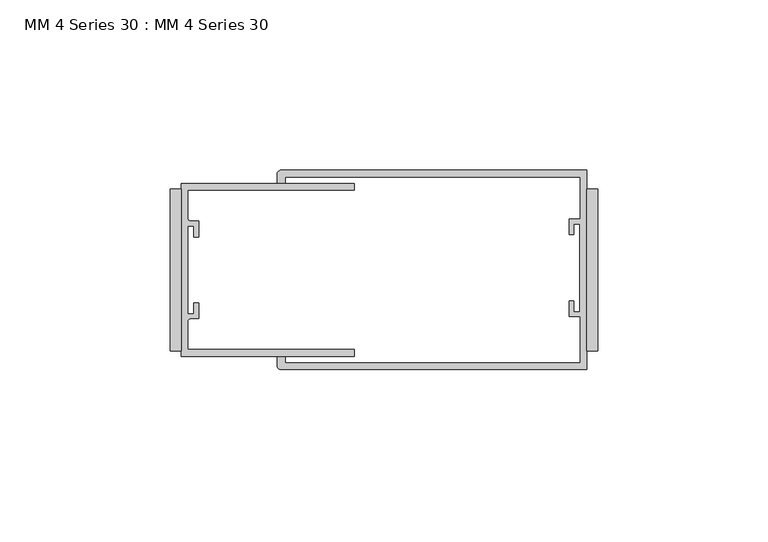
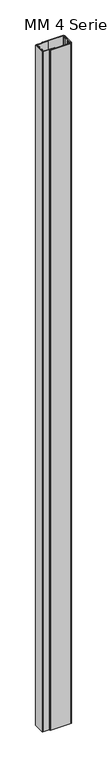
"""IFC4 building model written with IfcOpenShell, lengths in millimetres: proxy geometry, MM 4 Series 30 : MM 4 Series 30."""

from ifc_helpers import new_model, si_unit, point, frame_2d, origin, origin_with_axes, place, context, project, spatial, polyline, circle_curve, trimmed, segment, composite_curve, outline, extrude, source, transform, mapped, element, save


def mm_4_series_30_mm_4_series_30_a49cdaed(model_context):
    return source(origin(), model_context, "Body", "SweptSolid", [
        extrude(outline(polyline([(-3.175, 23.8125), (0.0, 23.8125), (0.0, -23.8125), (-3.175, -23.8125), (-3.175, 23.8125)])), origin_with_axes(), (0.0, 0.0, 1.0), 3048.0),
        extrude(outline(polyline([(-125.4125, 23.8125), (-122.2375, 23.8125), (-122.2375, -23.8125), (-125.4125, -23.8125), (-125.4125, 23.8125)])), origin_with_axes(), (0.0, 0.0, 1.0), 3048.0),
        extrude(outline(composite_curve([segment(polyline([(-92.865575, 29.2862), (-3.175, 29.2862), (-3.175, -29.2862), (-92.865575, -29.2862)]), True, "CONTINUOUS"), segment(trimmed(circle_curve(frame_2d((-92.865575, -28.095575)), 1.190625), [point((-92.865575, -29.2862))], [point((-94.0562, -28.095575))], False, "CARTESIAN"), True, "CONTINUOUS"), segment(polyline([(-94.0562, -28.095575), (-94.0562, -25.527), (-91.7597006, -25.527), (-91.7597006, -27.305), (-5.1562, -27.305), (-5.1562, -13.7024149), (-8.3312, -13.7024149), (-8.3312, -9.1355958), (-6.967, -9.1355958), (-6.967, -12.3105958), (-5.189, -12.3105958), (-5.189, 13.495805), (-6.9792436, 13.495805), (-6.9792436, 10.3136087), (-8.3683061, 10.3136087), (-8.3683061, 14.8979851), (-5.1562, 14.8979851), (-5.1562, 27.305), (-91.7597006, 27.305), (-91.7597006, 25.527), (-94.0562, 25.527), (-94.0562, 28.095575)]), True, "CONTINUOUS"), segment(trimmed(circle_curve(frame_2d((-92.865575, 28.095575)), 1.190625), [point((-94.0562, 28.095575))], [point((-92.865575, 29.2862))], False, "CARTESIAN"), True, "CONTINUOUS")], self_intersect=False)), origin_with_axes(), (0.0, 0.0, 1.0), 3048.0),
        extrude(outline(composite_curve([segment(polyline([(-122.2375, -25.4), (-122.2375, 25.4), (-71.4375, 25.4), (-71.4375, 23.4188), (-120.2563, 23.4188), (-120.2563, 15.0569227)]), True, "CONTINUOUS"), segment(trimmed(circle_curve(frame_2d((-119.4943, 15.0569227)), 0.762), [point((-120.2563, 15.0569227))], [point((-119.4943, 14.2949227))], True, "CARTESIAN"), True, "CONTINUOUS"), segment(polyline([(-119.4943, 14.2949227), (-117.0813, 14.2949227), (-117.0813, 9.7229227), (-118.4783, 9.7229227), (-118.4783, 12.8979227), (-120.2563, 12.8979227), (-120.2563, -12.9084773), (-118.4783, -12.9084773), (-118.4783, -9.7334773), (-117.0813, -9.7334773), (-117.0813, -14.3054773), (-119.4943, -14.3054773)]), True, "CONTINUOUS"), segment(trimmed(circle_curve(frame_2d((-119.4943, -15.0674773)), 0.762), [point((-119.4943, -14.3054773))], [point((-120.2563, -15.0674773))], True, "CARTESIAN"), True, "CONTINUOUS"), segment(polyline([(-120.2563, -15.0674773), (-120.2563, -23.4188), (-71.4375, -23.4188), (-71.4375, -25.4), (-122.2375, -25.4)]), True, "CONTINUOUS")], self_intersect=False)), origin_with_axes(), (0.0, 0.0, 1.0), 3048.0),
    ])


if __name__ == "__main__":
    model = new_model("IFC4")
    model_context = context("Model", 3, world=origin())
    ifc_project = project(units=[si_unit("LENGTHUNIT", "METRE", prefix="MILLI")], contexts=[model_context])
    site = spatial("IfcSite", under=ifc_project)
    building = spatial("IfcBuilding", under=site)
    placement = place(None, origin())
    mm_4_series_30_mm_4_series_30_shape = mm_4_series_30_mm_4_series_30_a49cdaed(model_context)
    element("IfcBuildingElementProxy", 1, Name="MM 4 Series 30 : MM 4 Series 30", ObjectType="MM 4 Series 30 : MM 4 Series 30", at=placement, inside=building, context=model_context, shape_type="MappedRepresentation", body=[
        mapped(mm_4_series_30_mm_4_series_30_shape, transform((0.0, 0.0, 0.0), x_axis=(1.0, 0.0, 0.0), y_axis=(0.0, 1.0, 0.0), z_axis=(0.0, 0.0, 1.0))),
    ])
    save(model, "model.ifc")
